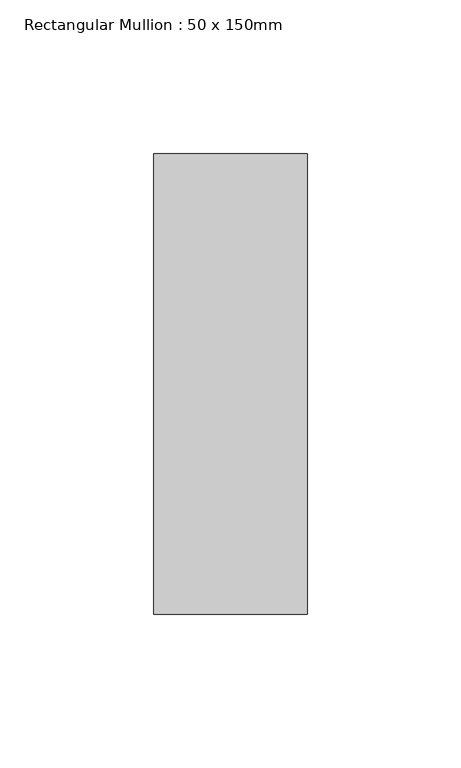
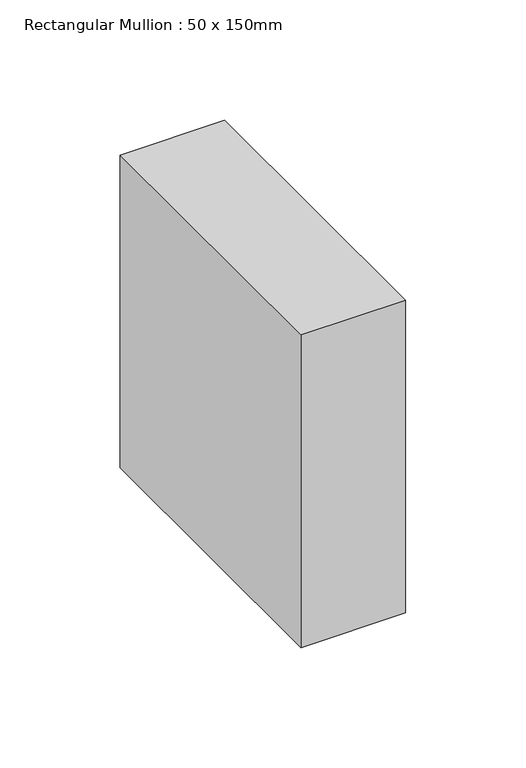
"""IFC4 building model written with IfcOpenShell, lengths in millimetres: member geometry, Rectangular Mullion : 50 x 150mm."""

from ifc_helpers import new_model, si_unit, frame, origin, place, context, project, spatial, polyline, outline, extrude, source, transform, mapped, element, save


def rectangular_mullion_50_x_150mm_cdfddc04(model_context):
    return source(origin(), model_context, "Body", "SweptSolid", [
        extrude(outline(polyline([(25.0, 75.0), (25.0, -75.0), (-25.0, -75.0), (-25.0, 75.0), (25.0, 75.0)])), frame((0.0, 0.0, -158.5134739), z_axis=(0.0, 0.0, 1.0), x_axis=(1.0, 0.0, 0.0)), (0.0, 0.0, 1.0), 158.5134739),
    ])


if __name__ == "__main__":
    model = new_model("IFC4")
    model_context = context("Model", 3, world=origin())
    ifc_project = project(units=[si_unit("LENGTHUNIT", "METRE", prefix="MILLI")], contexts=[model_context])
    site = spatial("IfcSite", under=ifc_project)
    building = spatial("IfcBuilding", under=site)
    placement = place(None, origin())
    rectangular_mullion_50_x_150mm_shape = rectangular_mullion_50_x_150mm_cdfddc04(model_context)
    element("IfcMember", 1, ObjectType="Rectangular Mullion : 50 x 150mm", at=placement, inside=building, context=model_context, shape_type="MappedRepresentation", body=[
        mapped(rectangular_mullion_50_x_150mm_shape, transform((0.0, 0.0, 0.0), x_axis=(1.0, 0.0, 0.0), y_axis=(0.0, 1.0, 0.0), z_axis=(0.0, 0.0, 1.0))),
    ])
    save(model, "model.ifc")
